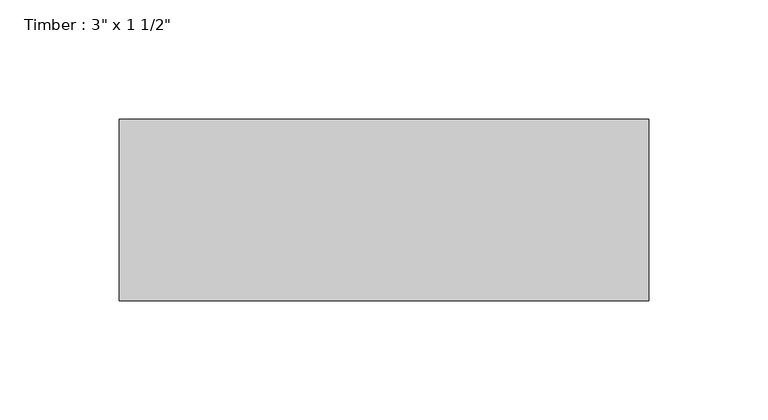
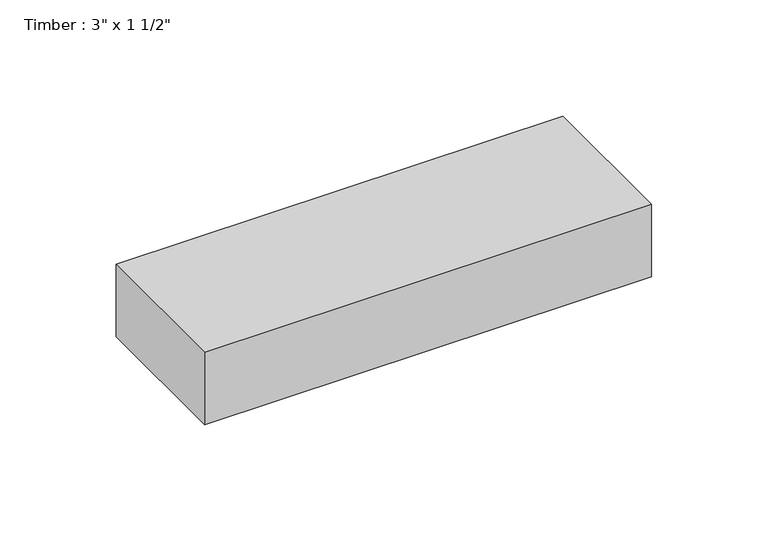
"""IFC4 building model written with IfcOpenShell, lengths in millimetres: beam geometry."""

import ifcopenshell
import ifcopenshell.guid

model = None  # the IFC model being written
_history = None  # IfcOwnerHistory: only IFC2X3 demands one
_inside = {}  # id of a spatial element -> (the spatial element, [elements in it])
_under = {}  # id of a project, library or spatial element -> (it, [spatial elements below it])
_declared = {}  # id of a project -> (the project, [libraries it declares])
_typed = {}  # id of a type object -> (the type object, [elements of that type])
_made_of = {}  # id of a material, layer set ... -> (it, [elements and type objects made of it])


def new_model(schema):
    """Start an empty IFC model of exactly this schema.

    Asked for "IFC4X3", IfcOpenShell would pick the latest addendum, in which some entities
    have other attributes; the version numbers below select the first issue.
    IFC2X3 requires an IfcOwnerHistory on every rooted entity: one is made here for all.
    """
    global model, _history
    if schema == "IFC4X3":
        model = ifcopenshell.file(schema_version=(4, 3, 0, 0))
    else:
        model = ifcopenshell.file(schema=schema)
    _inside.clear()
    _under.clear()
    _declared.clear()
    _typed.clear()
    _made_of.clear()
    _history = None
    if model.schema == "IFC2X3":
        org = make("IfcOrganization", Name="unknown")
        user = make(
            "IfcPersonAndOrganization",
            ThePerson=make("IfcPerson", FamilyName="unknown"),
            TheOrganization=org,
        )
        app = make(
            "IfcApplication",
            ApplicationDeveloper=org,
            Version="unknown",
            ApplicationFullName="unknown",
            ApplicationIdentifier="unknown",
        )
        _history = make(
            "IfcOwnerHistory",
            OwningUser=user,
            OwningApplication=app,
            ChangeAction="ADDED",
            CreationDate=0,
        )
    return model


def make(cls, **values):
    """One entity of the class cls with the attributes given. An attribute that is None is left unset."""
    return model.create_entity(
        cls, **{name: value for name, value in values.items() if value is not None}
    )


def rooted(cls, **values):
    """An entity with a GlobalId (a new one), such as an element, a storey or a relation."""
    return make(cls, GlobalId=ifcopenshell.guid.new(), OwnerHistory=_history, **values)


def si_unit(unit_type, name, prefix=None):
    """IfcSIUnit, for example si_unit("LENGTHUNIT", "METRE", prefix="MILLI")."""
    return make("IfcSIUnit", UnitType=unit_type, Prefix=prefix, Name=name)


def assignment(units):
    """IfcUnitAssignment: the units of a project."""
    return None if units is None else make("IfcUnitAssignment", Units=units)


def point(xyz):
    """IfcCartesianPoint."""
    return None if xyz is None else make("IfcCartesianPoint", Coordinates=xyz)


def direction(xyz):
    """IfcDirection."""
    return None if xyz is None else make("IfcDirection", DirectionRatios=xyz)


def frame(location, z_axis=None, x_axis=None):
    """IfcAxis2Placement3D, a coordinate frame: its origin and axes. An axis left out is left unset."""
    return make(
        "IfcAxis2Placement3D",
        Location=point(location),
        Axis=direction(z_axis),
        RefDirection=direction(x_axis),
    )


def origin():
    """The frame at (0, 0, 0) with its axes left unset."""
    return frame((0.0, 0.0, 0.0))


def place(relative_to, where):
    """IfcLocalPlacement: puts the frame where relative to a parent placement (None: the world)."""
    return make(
        "IfcLocalPlacement", PlacementRelTo=relative_to, RelativePlacement=where
    )


def context(
    kind, dimensions, precision=None, world=None, true_north=None, identifier=None
):
    """IfcGeometricRepresentationContext, for example the 3D "Model" context."""
    return make(
        "IfcGeometricRepresentationContext",
        ContextIdentifier=identifier,
        ContextType=kind,
        CoordinateSpaceDimension=dimensions,
        Precision=precision,
        WorldCoordinateSystem=world,
        TrueNorth=true_north,
    )


def project(units=None, contexts=None):
    """IfcProject with its units and contexts."""
    return rooted(
        "IfcProject",
        Name="project",
        RepresentationContexts=contexts,
        UnitsInContext=assignment(units),
    )


def spatial(cls, under=None, at=None, **own):
    """A site, building, storey or space (cls), placed at a placement, below another one or the project."""
    s = rooted(cls, ObjectPlacement=at, **own)
    if under is not None:
        _under.setdefault(under.id(), (under, []))[1].append(s)
    return s


def polyline(points):
    """IfcPolyline through the points."""
    return make("IfcPolyline", Points=[point(p) for p in points])


def outline(outer, holes=None, kind="AREA"):
    """IfcArbitraryClosedProfileDef: a profile drawn as a closed curve; with holes, ...WithVoids."""
    if holes is None:
        return make("IfcArbitraryClosedProfileDef", ProfileType=kind, OuterCurve=outer)
    return make(
        "IfcArbitraryProfileDefWithVoids",
        ProfileType=kind,
        OuterCurve=outer,
        InnerCurves=holes,
    )


def extrude(swept, where, along, depth):
    """IfcExtrudedAreaSolid: the profile swept, set in the frame where, extruded along a direction by depth."""
    return make(
        "IfcExtrudedAreaSolid",
        SweptArea=swept,
        Position=where,
        ExtrudedDirection=direction(along),
        Depth=depth,
    )


def shape(context_of_items, identifier, shape_type, items):
    """IfcShapeRepresentation: the items that make up one representation, for example the "Body"."""
    return make(
        "IfcShapeRepresentation",
        ContextOfItems=context_of_items,
        RepresentationIdentifier=identifier,
        RepresentationType=shape_type,
        Items=items,
    )


def source(mapping_origin, context_of_items, identifier, shape_type, items):
    """IfcRepresentationMap: a shape defined once, which mapped items show again and again."""
    return make(
        "IfcRepresentationMap",
        MappingOrigin=mapping_origin,
        MappedRepresentation=shape(context_of_items, identifier, shape_type, items),
    )


def transform(
    local_origin,
    x_axis=None,
    y_axis=None,
    z_axis=None,
    scale=None,
    scale2=None,
    scale3=None,
    uniform=True,
):
    """IfcCartesianTransformationOperator3D, or its non-uniform kind. x_axis, y_axis, z_axis: its Axis1, 2, 3."""
    if uniform:
        return make(
            "IfcCartesianTransformationOperator3D",
            Axis1=direction(x_axis),
            Axis2=direction(y_axis),
            LocalOrigin=point(local_origin),
            Scale=scale,
            Axis3=direction(z_axis),
        )
    return make(
        "IfcCartesianTransformationOperator3DnonUniform",
        Axis1=direction(x_axis),
        Axis2=direction(y_axis),
        LocalOrigin=point(local_origin),
        Scale=scale,
        Axis3=direction(z_axis),
        Scale2=scale2,
        Scale3=scale3,
    )


def mapped(mapping_source, mapping_target):
    """IfcMappedItem: shows the shape of a source again, moved by a transform."""
    return make(
        "IfcMappedItem", MappingSource=mapping_source, MappingTarget=mapping_target
    )


def made_of(thing, what):
    """Note that an element or type object is made of a material, layer set ...; save() writes the relation."""
    if what is not None:
        _made_of.setdefault(what.id(), (what, []))[1].append(thing)
    return thing


def element(
    cls,
    number,
    at=None,
    inside=None,
    cuts=None,
    type_object=None,
    material=None,
    context=None,
    identifier="Body",
    shape_type=None,
    held_by="IfcProductDefinitionShape",
    body=None,
    shapes=None,
    **own,
):
    """One element of the class cls, such as IfcWall. Its Tag is "e" and its number.

    at: its placement. inside: the storey or other place that contains it. cuts: it is an
    opening in that element (IfcRelVoidsElement). A single representation is given by context,
    identifier, shape_type and body (its items); several are given by shapes. held_by: the class
    of the entity that holds the representations. save() writes the other relations.
    """
    e = rooted(cls, Tag="e%d" % number, ObjectPlacement=at, **own)
    if body is not None:
        shapes = [shape(context, identifier, shape_type, body)]
    if shapes is not None:
        e.Representation = make(held_by, Representations=shapes)
    if inside is not None:
        _inside.setdefault(inside.id(), (inside, []))[1].append(e)
    if cuts is not None:
        rooted(
            "IfcRelVoidsElement", RelatingBuildingElement=cuts, RelatedOpeningElement=e
        )
    if type_object is not None:
        _typed.setdefault(type_object.id(), (type_object, []))[1].append(e)
    return made_of(e, material)


def aggregate(whole, parts):
    """IfcRelAggregates: a whole, such as a stair, and the parts it consists of."""
    return rooted("IfcRelAggregates", RelatingObject=whole, RelatedObjects=parts)


def save(model, path):
    """Write the relations noted so far, then the file.

    IfcRelAggregates (storeys below a building ...), IfcRelContainedInSpatialStructure (elements
    in a storey), IfcRelDefinesByType, IfcRelAssociatesMaterial and IfcRelDeclares: one each for
    every whole, place, type object, material and project.
    """
    for whole, parts in _under.values():
        aggregate(whole, parts)
    for where, things in _inside.values():
        rooted(
            "IfcRelContainedInSpatialStructure",
            RelatedElements=things,
            RelatingStructure=where,
        )
    for kind, things in _typed.values():
        rooted("IfcRelDefinesByType", RelatedObjects=things, RelatingType=kind)
    for what, things in _made_of.values():
        rooted("IfcRelAssociatesMaterial", RelatedObjects=things, RelatingMaterial=what)
    for by, libraries in _declared.values():
        rooted("IfcRelDeclares", RelatingContext=by, RelatedDefinitions=libraries)
    model.write(path)


def beam_e54c6e60(model_context):
    return source(origin(), model_context, "Body", "SweptSolid", [
        extrude(outline(polyline([(111.125, 38.1), (111.125, -38.1), (-111.125, -38.1), (-111.125, 38.1), (111.125, 38.1)])), frame((0.0, 0.0, -19.05), z_axis=(0.0, 0.0, 1.0), x_axis=(1.0, 0.0, 0.0)), (0.0, 0.0, 1.0), 38.1),
    ])


if __name__ == "__main__":
    model = new_model("IFC4")
    model_context = context("Model", 3, world=origin())
    ifc_project = project(units=[si_unit("LENGTHUNIT", "METRE", prefix="MILLI")], contexts=[model_context])
    site = spatial("IfcSite", under=ifc_project)
    building = spatial("IfcBuilding", under=site)
    placement = place(None, origin())
    beam_shape = beam_e54c6e60(model_context)
    element("IfcBeam", 1, ObjectType="Timber : 3\" x 1 1/2\"", at=placement, inside=building, context=model_context, shape_type="MappedRepresentation", body=[
        mapped(beam_shape, transform((0.0, 0.0, 0.0), x_axis=(1.0, 0.0, 0.0), y_axis=(0.0, 1.0, 0.0), z_axis=(0.0, 0.0, 1.0))),
    ])
    save(model, "model.ifc")
